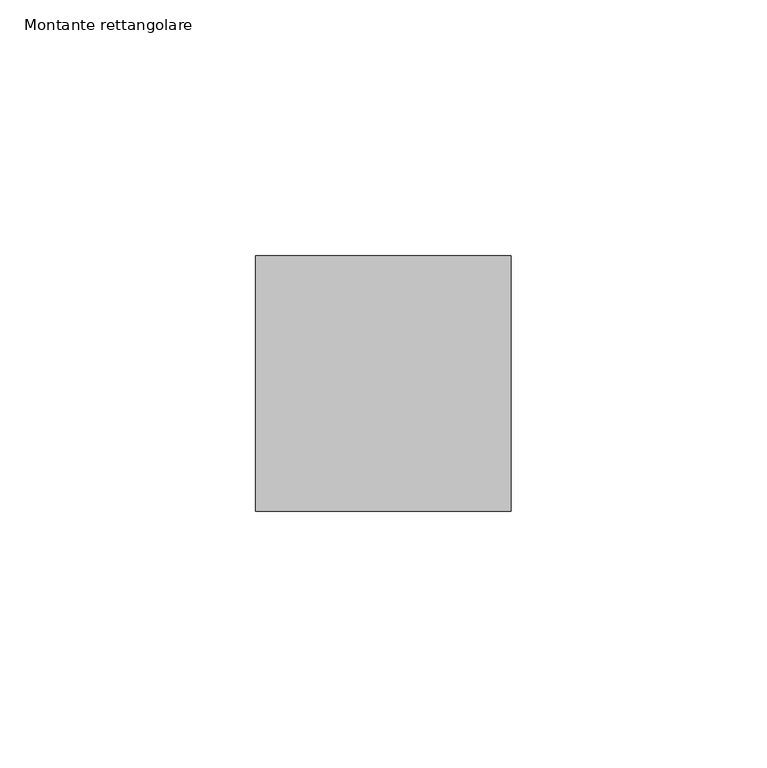
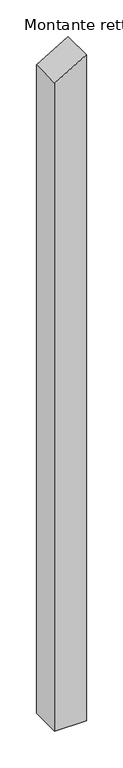
"""IFC4 building model written with IfcOpenShell, lengths in millimetres: member geometry, Montante rettangolare."""

from ifc_helpers import new_model, si_unit, frame, origin, place, context, project, spatial, polyline, outline, extrude, source, transform, mapped, element, save


def montante_rettangolare_c3d1411c(model_context):
    return source(origin(), model_context, "Body", "SweptSolid", [
        extrude(outline(polyline([(-8.2099353, 0.0), (-38.0159173, -50.0), (-1120.0196989, -50.0), (-1120.0196989, 0.0), (-8.2099353, 0.0)])), frame((0.0, -25.0, 0.0), z_axis=(0.0, 1.0, 0.0), x_axis=(0.0, 0.0, 1.0)), (0.0, 0.0, 1.0), 50.0),
    ])


if __name__ == "__main__":
    model = new_model("IFC4")
    model_context = context("Model", 3, world=origin())
    ifc_project = project(units=[si_unit("LENGTHUNIT", "METRE", prefix="MILLI")], contexts=[model_context])
    site = spatial("IfcSite", under=ifc_project)
    building = spatial("IfcBuilding", under=site)
    placement = place(None, origin())
    montante_rettangolare_shape = montante_rettangolare_c3d1411c(model_context)
    element("IfcMember", 1, ObjectType="Montante rettangolare", at=placement, inside=building, context=model_context, shape_type="MappedRepresentation", body=[
        mapped(montante_rettangolare_shape, transform((0.0, 0.0, 0.0), x_axis=(1.0, 0.0, 0.0), y_axis=(0.0, 1.0, 0.0), z_axis=(0.0, 0.0, 1.0))),
    ])
    save(model, "model.ifc")
